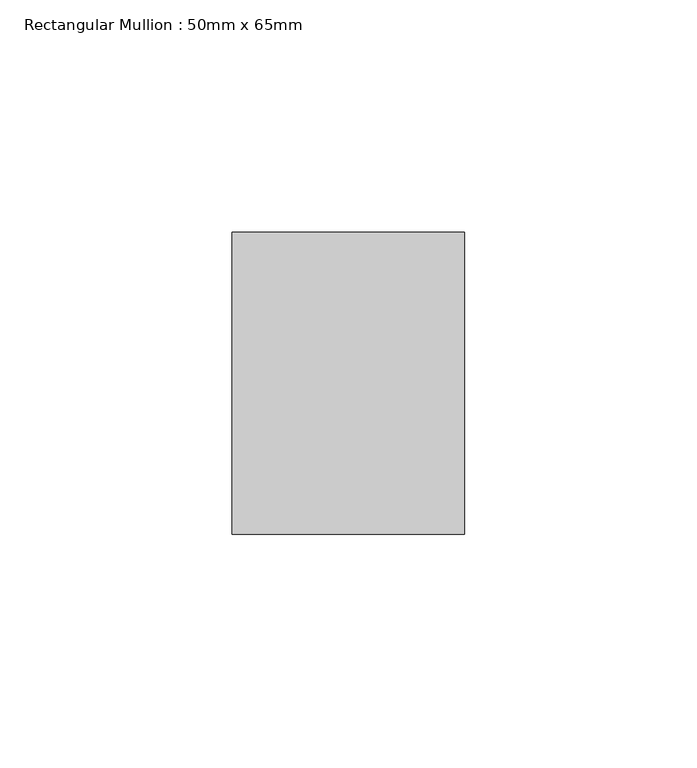
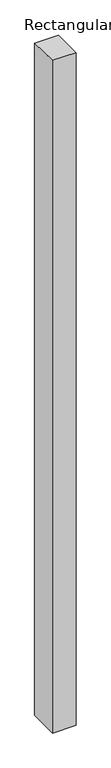
"""IFC4 building model written with IfcOpenShell, lengths in millimetres: member geometry, Rectangular Mullion : 50mm x 65mm."""

from ifc_helpers import new_model, si_unit, origin, place, context, project, spatial, faceted_brep, source, transform, mapped, element, save


def rectangular_mullion_50mm_x_65mm_d17fddbd(model_context):
    return source(origin(), model_context, "Body", "Brep", [
        faceted_brep([(-25.0, 32.5, -0.4073261), (25.0, 32.5, -0.4073273), (25.0, 32.5, -1499.6947445), (-25.0, 32.5, -1499.6947453), (-25.0, -32.5, 0.4073273), (-25.0, -32.5, -1500.3061944), (25.0, -32.5, 0.4073261), (25.0, -32.5, -1500.3061937)], [[[0, 1, 2, 3]], [[4, 0, 3, 5]], [[6, 4, 5, 7]], [[1, 6, 7, 2]], [[1, 0, 4, 6]], [[2, 7, 5, 3]]]),
    ])


if __name__ == "__main__":
    model = new_model("IFC4")
    model_context = context("Model", 3, world=origin())
    ifc_project = project(units=[si_unit("LENGTHUNIT", "METRE", prefix="MILLI")], contexts=[model_context])
    site = spatial("IfcSite", under=ifc_project)
    building = spatial("IfcBuilding", under=site)
    placement = place(None, origin())
    rectangular_mullion_50mm_x_65mm_shape = rectangular_mullion_50mm_x_65mm_d17fddbd(model_context)
    element("IfcMember", 1, ObjectType="Rectangular Mullion : 50mm x 65mm", at=placement, inside=building, context=model_context, shape_type="MappedRepresentation", body=[
        mapped(rectangular_mullion_50mm_x_65mm_shape, transform((0.0, 0.0, 0.0), x_axis=(1.0, 0.0, 0.0), y_axis=(0.0, 1.0, 0.0), z_axis=(0.0, 0.0, 1.0))),
    ])
    save(model, "model.ifc")
